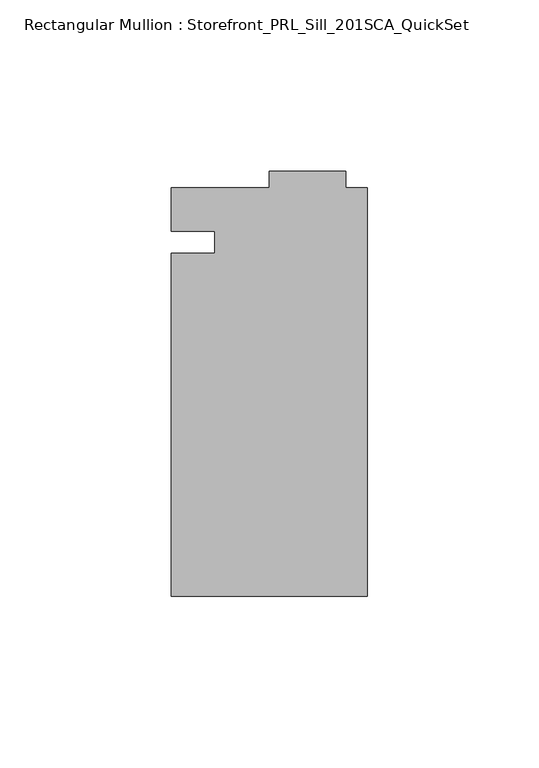
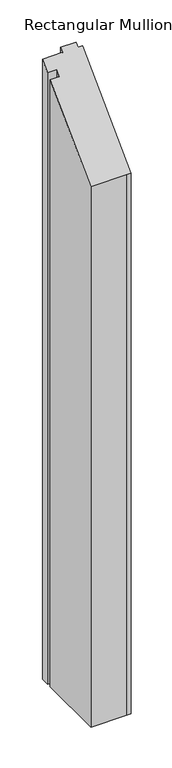
"""IFC4 building model written with IfcOpenShell, lengths in millimetres: member geometry, Rectangular Mullion : Storefront_PRL_Sill_201SCA_QuickSet."""

import ifcopenshell
import ifcopenshell.guid

model = None  # the IFC model being written
_history = None  # IfcOwnerHistory: only IFC2X3 demands one
_inside = {}  # id of a spatial element -> (the spatial element, [elements in it])
_under = {}  # id of a project, library or spatial element -> (it, [spatial elements below it])
_declared = {}  # id of a project -> (the project, [libraries it declares])
_typed = {}  # id of a type object -> (the type object, [elements of that type])
_made_of = {}  # id of a material, layer set ... -> (it, [elements and type objects made of it])


def new_model(schema):
    """Start an empty IFC model of exactly this schema.

    Asked for "IFC4X3", IfcOpenShell would pick the latest addendum, in which some entities
    have other attributes; the version numbers below select the first issue.
    IFC2X3 requires an IfcOwnerHistory on every rooted entity: one is made here for all.
    """
    global model, _history
    if schema == "IFC4X3":
        model = ifcopenshell.file(schema_version=(4, 3, 0, 0))
    else:
        model = ifcopenshell.file(schema=schema)
    _inside.clear()
    _under.clear()
    _declared.clear()
    _typed.clear()
    _made_of.clear()
    _history = None
    if model.schema == "IFC2X3":
        org = make("IfcOrganization", Name="unknown")
        user = make(
            "IfcPersonAndOrganization",
            ThePerson=make("IfcPerson", FamilyName="unknown"),
            TheOrganization=org,
        )
        app = make(
            "IfcApplication",
            ApplicationDeveloper=org,
            Version="unknown",
            ApplicationFullName="unknown",
            ApplicationIdentifier="unknown",
        )
        _history = make(
            "IfcOwnerHistory",
            OwningUser=user,
            OwningApplication=app,
            ChangeAction="ADDED",
            CreationDate=0,
        )
    return model


def make(cls, **values):
    """One entity of the class cls with the attributes given. An attribute that is None is left unset."""
    return model.create_entity(
        cls, **{name: value for name, value in values.items() if value is not None}
    )


def rooted(cls, **values):
    """An entity with a GlobalId (a new one), such as an element, a storey or a relation."""
    return make(cls, GlobalId=ifcopenshell.guid.new(), OwnerHistory=_history, **values)


def si_unit(unit_type, name, prefix=None):
    """IfcSIUnit, for example si_unit("LENGTHUNIT", "METRE", prefix="MILLI")."""
    return make("IfcSIUnit", UnitType=unit_type, Prefix=prefix, Name=name)


def assignment(units):
    """IfcUnitAssignment: the units of a project."""
    return None if units is None else make("IfcUnitAssignment", Units=units)


def point(xyz):
    """IfcCartesianPoint."""
    return None if xyz is None else make("IfcCartesianPoint", Coordinates=xyz)


def direction(xyz):
    """IfcDirection."""
    return None if xyz is None else make("IfcDirection", DirectionRatios=xyz)


def frame(location, z_axis=None, x_axis=None):
    """IfcAxis2Placement3D, a coordinate frame: its origin and axes. An axis left out is left unset."""
    return make(
        "IfcAxis2Placement3D",
        Location=point(location),
        Axis=direction(z_axis),
        RefDirection=direction(x_axis),
    )


def origin():
    """The frame at (0, 0, 0) with its axes left unset."""
    return frame((0.0, 0.0, 0.0))


def place(relative_to, where):
    """IfcLocalPlacement: puts the frame where relative to a parent placement (None: the world)."""
    return make(
        "IfcLocalPlacement", PlacementRelTo=relative_to, RelativePlacement=where
    )


def context(
    kind, dimensions, precision=None, world=None, true_north=None, identifier=None
):
    """IfcGeometricRepresentationContext, for example the 3D "Model" context."""
    return make(
        "IfcGeometricRepresentationContext",
        ContextIdentifier=identifier,
        ContextType=kind,
        CoordinateSpaceDimension=dimensions,
        Precision=precision,
        WorldCoordinateSystem=world,
        TrueNorth=true_north,
    )


def project(units=None, contexts=None):
    """IfcProject with its units and contexts."""
    return rooted(
        "IfcProject",
        Name="project",
        RepresentationContexts=contexts,
        UnitsInContext=assignment(units),
    )


def spatial(cls, under=None, at=None, **own):
    """A site, building, storey or space (cls), placed at a placement, below another one or the project."""
    s = rooted(cls, ObjectPlacement=at, **own)
    if under is not None:
        _under.setdefault(under.id(), (under, []))[1].append(s)
    return s


def faces_of(points, faces, orient=None, outer=None):
    """IfcFace entities. A face is a list of loops; a loop is a list of indices into points, from 0.

    orient and outer hold one flag for each loop. By default every Orientation is true, the
    first loop of a face is its IfcFaceOuterBound and the others are IfcFaceBound.
    """
    made = []
    for i, loops in enumerate(faces):
        bounds = []
        for j, loop in enumerate(loops):
            is_outer = j == 0 if outer is None else outer[i][j]
            bounds.append(
                make(
                    "IfcFaceOuterBound" if is_outer else "IfcFaceBound",
                    Bound=make("IfcPolyLoop", Polygon=[points[k] for k in loop]),
                    Orientation=True if orient is None else orient[i][j],
                )
            )
        made.append(make("IfcFace", Bounds=bounds))
    return made


def faceted_brep(points, faces, orient=None, outer=None, voids=None):
    """IfcFacetedBrep: a solid bounded by flat faces; with voids (closed shells), ...WithVoids."""
    shared = [point(p) for p in points]
    hull = make("IfcClosedShell", CfsFaces=faces_of(shared, faces, orient, outer))
    if voids is None:
        return make("IfcFacetedBrep", Outer=hull)
    return make(
        "IfcFacetedBrepWithVoids",
        Outer=hull,
        Voids=[
            make(cls, CfsFaces=faces_of(shared, fs, o, b)) for cls, fs, o, b in voids
        ],
    )


def shape(context_of_items, identifier, shape_type, items):
    """IfcShapeRepresentation: the items that make up one representation, for example the "Body"."""
    return make(
        "IfcShapeRepresentation",
        ContextOfItems=context_of_items,
        RepresentationIdentifier=identifier,
        RepresentationType=shape_type,
        Items=items,
    )


def source(mapping_origin, context_of_items, identifier, shape_type, items):
    """IfcRepresentationMap: a shape defined once, which mapped items show again and again."""
    return make(
        "IfcRepresentationMap",
        MappingOrigin=mapping_origin,
        MappedRepresentation=shape(context_of_items, identifier, shape_type, items),
    )


def transform(
    local_origin,
    x_axis=None,
    y_axis=None,
    z_axis=None,
    scale=None,
    scale2=None,
    scale3=None,
    uniform=True,
):
    """IfcCartesianTransformationOperator3D, or its non-uniform kind. x_axis, y_axis, z_axis: its Axis1, 2, 3."""
    if uniform:
        return make(
            "IfcCartesianTransformationOperator3D",
            Axis1=direction(x_axis),
            Axis2=direction(y_axis),
            LocalOrigin=point(local_origin),
            Scale=scale,
            Axis3=direction(z_axis),
        )
    return make(
        "IfcCartesianTransformationOperator3DnonUniform",
        Axis1=direction(x_axis),
        Axis2=direction(y_axis),
        LocalOrigin=point(local_origin),
        Scale=scale,
        Axis3=direction(z_axis),
        Scale2=scale2,
        Scale3=scale3,
    )


def mapped(mapping_source, mapping_target):
    """IfcMappedItem: shows the shape of a source again, moved by a transform."""
    return make(
        "IfcMappedItem", MappingSource=mapping_source, MappingTarget=mapping_target
    )


def made_of(thing, what):
    """Note that an element or type object is made of a material, layer set ...; save() writes the relation."""
    if what is not None:
        _made_of.setdefault(what.id(), (what, []))[1].append(thing)
    return thing


def element(
    cls,
    number,
    at=None,
    inside=None,
    cuts=None,
    type_object=None,
    material=None,
    context=None,
    identifier="Body",
    shape_type=None,
    held_by="IfcProductDefinitionShape",
    body=None,
    shapes=None,
    **own,
):
    """One element of the class cls, such as IfcWall. Its Tag is "e" and its number.

    at: its placement. inside: the storey or other place that contains it. cuts: it is an
    opening in that element (IfcRelVoidsElement). A single representation is given by context,
    identifier, shape_type and body (its items); several are given by shapes. held_by: the class
    of the entity that holds the representations. save() writes the other relations.
    """
    e = rooted(cls, Tag="e%d" % number, ObjectPlacement=at, **own)
    if body is not None:
        shapes = [shape(context, identifier, shape_type, body)]
    if shapes is not None:
        e.Representation = make(held_by, Representations=shapes)
    if inside is not None:
        _inside.setdefault(inside.id(), (inside, []))[1].append(e)
    if cuts is not None:
        rooted(
            "IfcRelVoidsElement", RelatingBuildingElement=cuts, RelatedOpeningElement=e
        )
    if type_object is not None:
        _typed.setdefault(type_object.id(), (type_object, []))[1].append(e)
    return made_of(e, material)


def aggregate(whole, parts):
    """IfcRelAggregates: a whole, such as a stair, and the parts it consists of."""
    return rooted("IfcRelAggregates", RelatingObject=whole, RelatedObjects=parts)


def save(model, path):
    """Write the relations noted so far, then the file.

    IfcRelAggregates (storeys below a building ...), IfcRelContainedInSpatialStructure (elements
    in a storey), IfcRelDefinesByType, IfcRelAssociatesMaterial and IfcRelDeclares: one each for
    every whole, place, type object, material and project.
    """
    for whole, parts in _under.values():
        aggregate(whole, parts)
    for where, things in _inside.values():
        rooted(
            "IfcRelContainedInSpatialStructure",
            RelatedElements=things,
            RelatingStructure=where,
        )
    for kind, things in _typed.values():
        rooted("IfcRelDefinesByType", RelatedObjects=things, RelatingType=kind)
    for what, things in _made_of.values():
        rooted("IfcRelAssociatesMaterial", RelatedObjects=things, RelatingMaterial=what)
    for by, libraries in _declared.values():
        rooted("IfcRelDeclares", RelatingContext=by, RelatedDefinitions=libraries)
    model.write(path)


def rectangular_mullion_storefront_prl_sill_201sca_quickset_567d59cd(model_context):
    return source(origin(), model_context, "Body", "Brep", [
        faceted_brep([(-44.45, -3.175, -914.4), (-44.45, 3.175, -914.4), (-57.15, 3.175, -914.4), (-57.15, 15.875, -914.4), (-28.575, 15.875, -914.4), (-28.575, 20.6375, -914.4), (-6.35, 20.6375, -914.4), (-6.35, 15.875, -914.4), (0.0, 15.875, -914.4), (0.0, -103.1875, -914.4), (-6.35, -103.1875, -914.4), (-57.15, -103.1875, -914.4), (-57.15, -3.175, -914.4), (-57.15, -3.175, -3.175), (-44.45, -3.175, -3.175), (-57.15, -103.1875, -103.1875), (-6.35, -103.1875, -103.1875), (0.0, -103.1875, -103.1875), (0.0, 15.875, 15.875), (-6.35, 15.875, 15.875), (-6.35, 20.6375, 20.6375), (-28.575, 20.6375, 20.6375), (-28.575, 15.875, 15.875), (-57.15, 15.875, 15.875), (-57.15, 3.175, 3.175), (-44.45, 3.175, 3.175)], [[[0, 1, 2, 3, 4, 5, 6, 7, 8, 9, 10, 11, 12]], [[13, 14, 0, 12]], [[15, 13, 12, 11]], [[16, 15, 11, 10]], [[17, 16, 10, 9]], [[18, 17, 9, 8]], [[19, 18, 8, 7]], [[20, 19, 7, 6]], [[21, 20, 6, 5]], [[22, 21, 5, 4]], [[23, 22, 4, 3]], [[24, 23, 3, 2]], [[25, 24, 2, 1]], [[14, 25, 1, 0]], [[14, 13, 15, 16, 17, 18, 19, 20, 21, 22, 23, 24, 25]]]),
    ])


if __name__ == "__main__":
    model = new_model("IFC4")
    model_context = context("Model", 3, world=origin())
    ifc_project = project(units=[si_unit("LENGTHUNIT", "METRE", prefix="MILLI")], contexts=[model_context])
    site = spatial("IfcSite", under=ifc_project)
    building = spatial("IfcBuilding", under=site)
    placement = place(None, origin())
    rectangular_mullion_storefront_prl_sill_201sca_quickset_shape = rectangular_mullion_storefront_prl_sill_201sca_quickset_567d59cd(model_context)
    element("IfcMember", 1, ObjectType="Rectangular Mullion : Storefront_PRL_Sill_201SCA_QuickSet", at=placement, inside=building, context=model_context, shape_type="MappedRepresentation", body=[
        mapped(rectangular_mullion_storefront_prl_sill_201sca_quickset_shape, transform((0.0, 0.0, 0.0), x_axis=(1.0, 0.0, 0.0), y_axis=(0.0, 1.0, 0.0), z_axis=(0.0, 0.0, 1.0))),
    ])
    save(model, "model.ifc")
